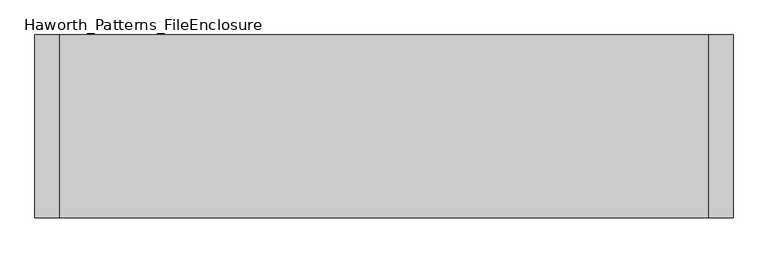
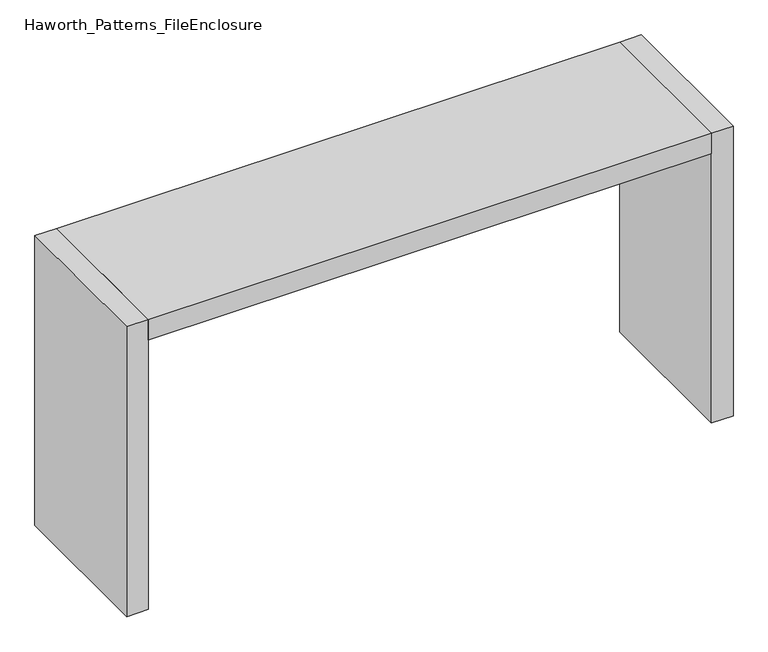
"""IFC4 building model written with IfcOpenShell, lengths in millimetres: furniture geometry, Haworth_Patterns_FileEnclosure."""

from ifc_helpers import new_model, si_unit, frame, origin, origin_with_axes, place, context, project, spatial, polyline, outline, extrude, source, transform, mapped, element, save


def haworth_patterns_fileenclosure_446e3881(model_context):
    return source(origin(), model_context, "Body", "SweptSolid", [
        extrude(outline(polyline([(990.6, 0.0), (990.6, -558.8), (-990.6, -558.8), (-990.6, 0.0), (990.6, 0.0)])), frame((0.0, 0.0, 1003.3), z_axis=(0.0, 0.0, 1.0), x_axis=(1.0, 0.0, 0.0)), (0.0, 0.0, 1.0), 76.2),
        extrude(outline(polyline([(990.6, 0.0), (1066.8, 0.0), (1066.8, -558.8), (990.6, -558.8), (990.6, 0.0)])), origin_with_axes(), (0.0, 0.0, 1.0), 1079.5),
        extrude(outline(polyline([(-990.6, 0.0), (-990.6, -558.8), (-1066.8, -558.8), (-1066.8, 0.0), (-990.6, 0.0)])), origin_with_axes(), (0.0, 0.0, 1.0), 1079.5),
    ])


if __name__ == "__main__":
    model = new_model("IFC4")
    model_context = context("Model", 3, world=origin())
    ifc_project = project(units=[si_unit("LENGTHUNIT", "METRE", prefix="MILLI")], contexts=[model_context])
    site = spatial("IfcSite", under=ifc_project)
    building = spatial("IfcBuilding", under=site)
    placement = place(None, origin())
    haworth_patterns_fileenclosure_shape = haworth_patterns_fileenclosure_446e3881(model_context)
    element("IfcFurniture", 1, ObjectType="Haworth_Patterns_FileEnclosure", at=placement, inside=building, context=model_context, shape_type="MappedRepresentation", body=[
        mapped(haworth_patterns_fileenclosure_shape, transform((0.0, 0.0, 0.0), x_axis=(1.0, 0.0, 0.0), y_axis=(0.0, 1.0, 0.0), z_axis=(0.0, 0.0, 1.0))),
    ])
    save(model, "model.ifc")
